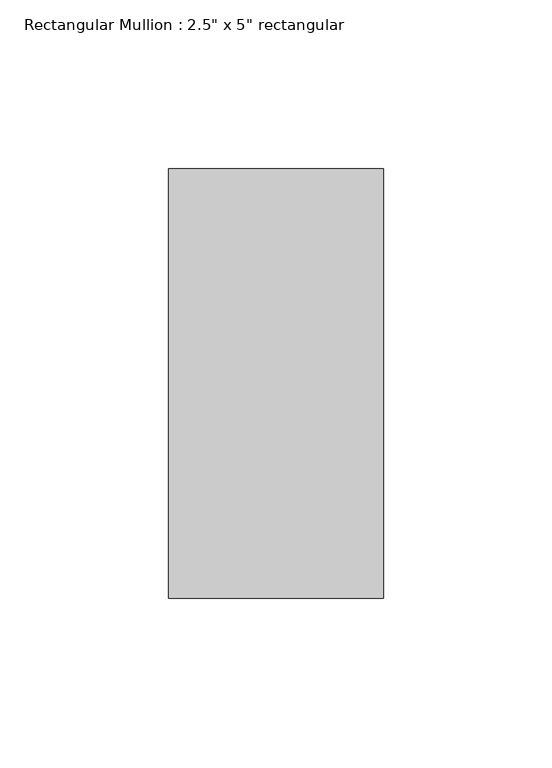
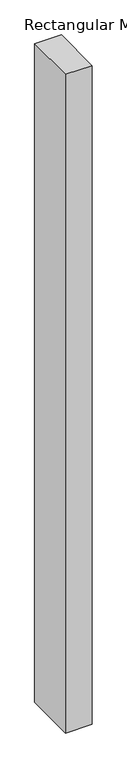
"""IFC4 building model written with IfcOpenShell, lengths in millimetres: member geometry."""

from ifc_helpers import new_model, si_unit, frame, origin, place, context, project, spatial, polyline, outline, extrude, source, transform, mapped, element, save


def member_77b64745(model_context):
    return source(origin(), model_context, "Body", "SweptSolid", [
        extrude(outline(polyline([(0.0, 63.5), (0.0, -63.5), (-63.5, -63.5), (-63.5, 63.5), (0.0, 63.5)])), frame((0.0, 0.0, -1656.516496), z_axis=(0.0, 0.0, 1.0), x_axis=(1.0, 0.0, 0.0)), (0.0, 0.0, 1.0), 1656.516496),
    ])


if __name__ == "__main__":
    model = new_model("IFC4")
    model_context = context("Model", 3, world=origin())
    ifc_project = project(units=[si_unit("LENGTHUNIT", "METRE", prefix="MILLI")], contexts=[model_context])
    site = spatial("IfcSite", under=ifc_project)
    building = spatial("IfcBuilding", under=site)
    placement = place(None, origin())
    member_shape = member_77b64745(model_context)
    element("IfcMember", 1, ObjectType="Rectangular Mullion : 2.5\" x 5\" rectangular", at=placement, inside=building, context=model_context, shape_type="MappedRepresentation", body=[
        mapped(member_shape, transform((0.0, 0.0, 0.0), x_axis=(1.0, 0.0, 0.0), y_axis=(0.0, 1.0, 0.0), z_axis=(0.0, 0.0, 1.0))),
    ])
    save(model, "model.ifc")
